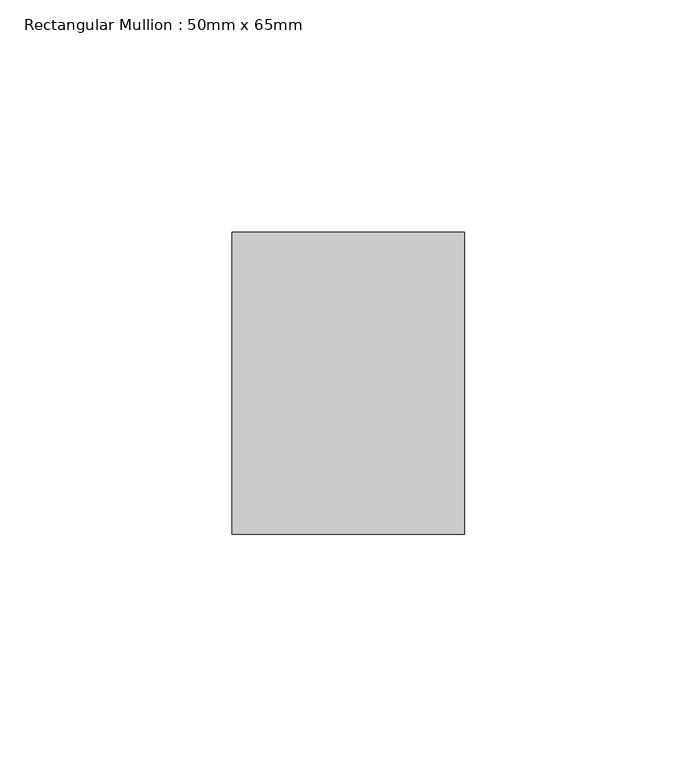
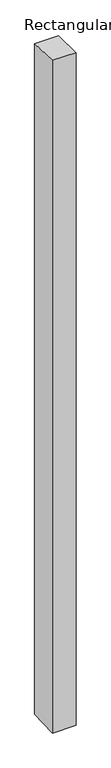
"""IFC4 building model written with IfcOpenShell, lengths in millimetres: member geometry, Rectangular Mullion : 50mm x 65mm."""

from ifc_helpers import new_model, si_unit, origin, place, context, project, spatial, faceted_brep, source, transform, mapped, element, save


def rectangular_mullion_50mm_x_65mm_404bde70(model_context):
    return source(origin(), model_context, "Body", "Brep", [
        faceted_brep([(-25.0, 32.5, -0.8979617), (25.0, 32.5, -0.8979646), (25.0, 32.5, -1498.8583533), (-25.0, 32.5, -1498.858357), (-25.0, -32.5, 0.8979646), (-25.0, -32.5, -1501.1422571), (25.0, -32.5, 0.8979617), (25.0, -32.5, -1501.1422534)], [[[0, 1, 2, 3]], [[4, 0, 3, 5]], [[6, 4, 5, 7]], [[1, 6, 7, 2]], [[1, 0, 4, 6]], [[2, 7, 5, 3]]]),
    ])


if __name__ == "__main__":
    model = new_model("IFC4")
    model_context = context("Model", 3, world=origin())
    ifc_project = project(units=[si_unit("LENGTHUNIT", "METRE", prefix="MILLI")], contexts=[model_context])
    site = spatial("IfcSite", under=ifc_project)
    building = spatial("IfcBuilding", under=site)
    placement = place(None, origin())
    rectangular_mullion_50mm_x_65mm_shape = rectangular_mullion_50mm_x_65mm_404bde70(model_context)
    element("IfcMember", 1, ObjectType="Rectangular Mullion : 50mm x 65mm", at=placement, inside=building, context=model_context, shape_type="MappedRepresentation", body=[
        mapped(rectangular_mullion_50mm_x_65mm_shape, transform((0.0, 0.0, 0.0), x_axis=(1.0, 0.0, 0.0), y_axis=(0.0, 1.0, 0.0), z_axis=(0.0, 0.0, 1.0))),
    ])
    save(model, "model.ifc")
